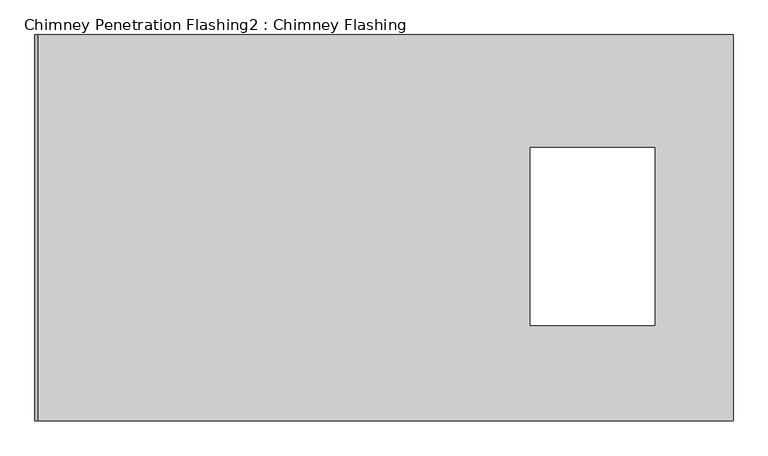
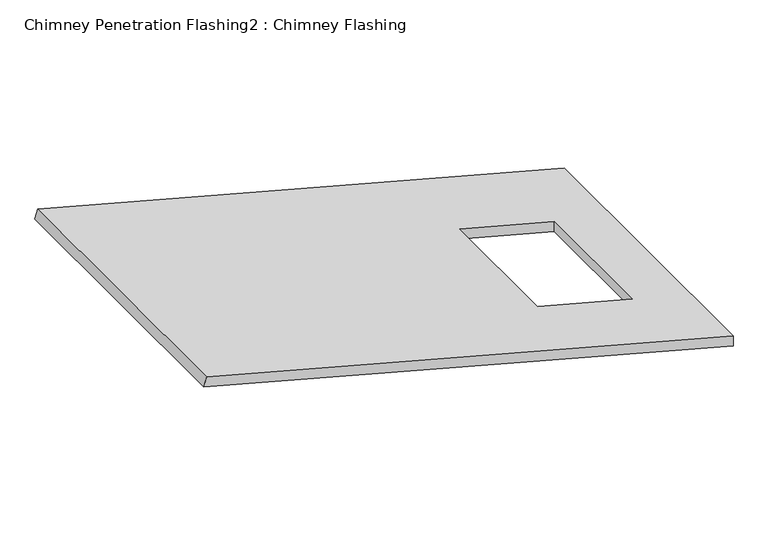
"""IFC4 building model written with IfcOpenShell, lengths in millimetres: proxy geometry, Chimney Penetration Flashing2 : Chimney Flashing."""

from ifc_helpers import new_model, si_unit, origin, place, context, project, spatial, faceted_brep, source, transform, mapped, element, save


def chimney_penetration_flashing2_chimney_flashing_0e926572(model_context):
    return source(origin(), model_context, "Body", "Brep", [
        faceted_brep([(4034.3633972, -1951.2660332, 3407.6723492), (4034.3633972, -1951.2660332, 3446.4712036), (2083.8008732, -1951.2660332, 3969.1228567), (2074.1011596, -1951.2660332, 3932.9230327), (4034.3633972, -866.2660332, 3407.6723492), (2074.1011596, -866.2660332, 3932.9230327), (2083.8008732, -866.2660332, 3969.1228567), (4034.3633972, -866.2660332, 3446.4712036), (3815.016956, -1182.9266386, 3505.2449054), (3815.016956, -1682.9266386, 3505.2449054), (3465.016956, -1682.9266386, 3599.0271228), (3465.016956, -1182.9266386, 3599.0271228), (3815.016956, -1682.9266386, 3466.446051), (3815.016956, -1182.9266386, 3466.446051), (3465.016956, -1182.9266386, 3560.2282683), (3465.016956, -1682.9266386, 3560.2282683)], [[[0, 1, 2, 3]], [[4, 5, 6, 7]], [[1, 0, 4, 7]], [[2, 1, 7, 6], [8, 9, 10, 11]], [[3, 2, 6, 5]], [[0, 3, 5, 4], [12, 13, 14, 15]], [[12, 9, 8, 13]], [[13, 8, 11, 14]], [[14, 11, 10, 15]], [[9, 12, 15, 10]]]),
    ])


if __name__ == "__main__":
    model = new_model("IFC4")
    model_context = context("Model", 3, world=origin())
    ifc_project = project(units=[si_unit("LENGTHUNIT", "METRE", prefix="MILLI")], contexts=[model_context])
    site = spatial("IfcSite", under=ifc_project)
    building = spatial("IfcBuilding", under=site)
    placement = place(None, origin())
    chimney_penetration_flashing2_chimney_flashing_shape = chimney_penetration_flashing2_chimney_flashing_0e926572(model_context)
    element("IfcBuildingElementProxy", 1, Name="Chimney Penetration Flashing2 : Chimney Flashing", ObjectType="Chimney Penetration Flashing2 : Chimney Flashing", at=placement, inside=building, context=model_context, shape_type="MappedRepresentation", body=[
        mapped(chimney_penetration_flashing2_chimney_flashing_shape, transform((0.0, 0.0, 0.0), x_axis=(1.0, 0.0, 0.0), y_axis=(0.0, 1.0, 0.0), z_axis=(0.0, 0.0, 1.0))),
    ])
    save(model, "model.ifc")
